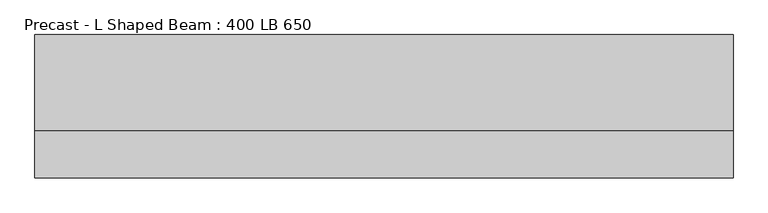
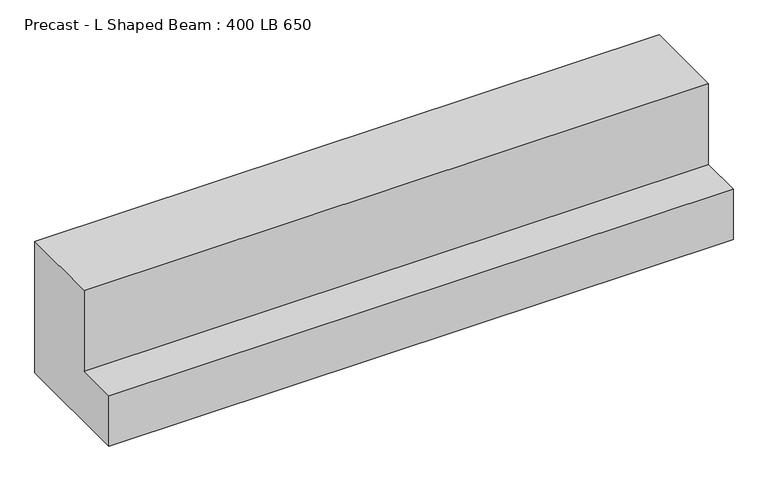
"""IFC4 building model written with IfcOpenShell, lengths in millimetres: beam geometry, Precast - L Shaped Beam : 400 LB 650."""

from ifc_helpers import new_model, si_unit, frame, origin, place, context, project, spatial, polyline, outline, extrude, source, transform, mapped, element, save


def precast_l_shaped_beam_400_lb_650_836a3f5f(model_context):
    return source(origin(), model_context, "Body", "SweptSolid", [
        extrude(outline(polyline([(300.0, -325.0), (-300.0, -325.0), (-300.0, -75.0), (-100.0, -75.0), (-100.0, 325.0), (300.0, 325.0), (300.0, -325.0)])), frame((-1460.0, 0.0, 0.0), z_axis=(1.0, 0.0, 0.0), x_axis=(0.0, 1.0, 0.0)), (0.0, 0.0, 1.0), 2920.0),
    ])


if __name__ == "__main__":
    model = new_model("IFC4")
    model_context = context("Model", 3, world=origin())
    ifc_project = project(units=[si_unit("LENGTHUNIT", "METRE", prefix="MILLI")], contexts=[model_context])
    site = spatial("IfcSite", under=ifc_project)
    building = spatial("IfcBuilding", under=site)
    placement = place(None, origin())
    precast_l_shaped_beam_400_lb_650_shape = precast_l_shaped_beam_400_lb_650_836a3f5f(model_context)
    element("IfcBeam", 1, ObjectType="Precast - L Shaped Beam : 400 LB 650", at=placement, inside=building, context=model_context, shape_type="MappedRepresentation", body=[
        mapped(precast_l_shaped_beam_400_lb_650_shape, transform((0.0, 0.0, 0.0), x_axis=(1.0, 0.0, 0.0), y_axis=(0.0, 1.0, 0.0), z_axis=(0.0, 0.0, 1.0))),
    ])
    save(model, "model.ifc")
